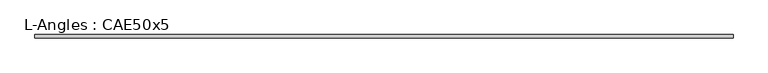
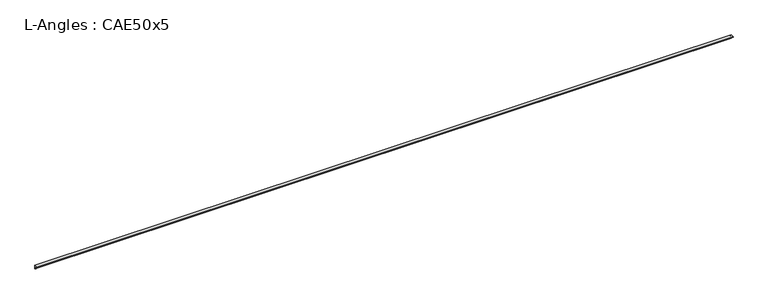
"""IFC4 building model written with IfcOpenShell, lengths in millimetres: beam geometry, L-Angles : CAE50x5."""

from ifc_helpers import new_model, si_unit, point, frame, frame_2d, origin, place, context, project, spatial, polyline, circle_curve, trimmed, segment, composite_curve, outline, extrude, source, transform, mapped, element, save


def l_angles_cae50x5_adb9afd4(model_context):
    return source(origin(), model_context, "Body", "SweptSolid", [
        extrude(outline(composite_curve([segment(polyline([(14.0, 14.0), (14.0, -36.0)]), True, "CONTINUOUS"), segment(trimmed(circle_curve(frame_2d((14.0, -31.0)), 5.0), [point((14.0, -36.0))], [point((9.0, -31.0))], False, "CARTESIAN"), True, "CONTINUOUS"), segment(polyline([(9.0, -31.0), (9.0, 4.0)]), True, "CONTINUOUS"), segment(trimmed(circle_curve(frame_2d((4.0, 4.0)), 5.0), [point((9.0, 4.0))], [point((4.0, 9.0))], True, "CARTESIAN"), True, "CONTINUOUS"), segment(polyline([(4.0, 9.0), (-31.0, 9.0)]), True, "CONTINUOUS"), segment(trimmed(circle_curve(frame_2d((-31.0, 14.0)), 5.0), [point((-31.0, 9.0))], [point((-36.0, 14.0))], False, "CARTESIAN"), True, "CONTINUOUS"), segment(polyline([(-36.0, 14.0), (14.0, 14.0)]), True, "CONTINUOUS")], self_intersect=False)), frame((-4789.5, 0.0, 0.0), z_axis=(1.0, 0.0, 0.0), x_axis=(0.0, 1.0, 0.0)), (0.0, 0.0, 1.0), 9882.0),
    ])


if __name__ == "__main__":
    model = new_model("IFC4")
    model_context = context("Model", 3, world=origin())
    ifc_project = project(units=[si_unit("LENGTHUNIT", "METRE", prefix="MILLI")], contexts=[model_context])
    site = spatial("IfcSite", under=ifc_project)
    building = spatial("IfcBuilding", under=site)
    placement = place(None, origin())
    l_angles_cae50x5_shape = l_angles_cae50x5_adb9afd4(model_context)
    element("IfcBeam", 1, ObjectType="L-Angles : CAE50x5", at=placement, inside=building, context=model_context, shape_type="MappedRepresentation", body=[
        mapped(l_angles_cae50x5_shape, transform((0.0, 0.0, 0.0), x_axis=(1.0, 0.0, 0.0), y_axis=(0.0, 1.0, 0.0), z_axis=(0.0, 0.0, 1.0))),
    ])
    save(model, "model.ifc")
